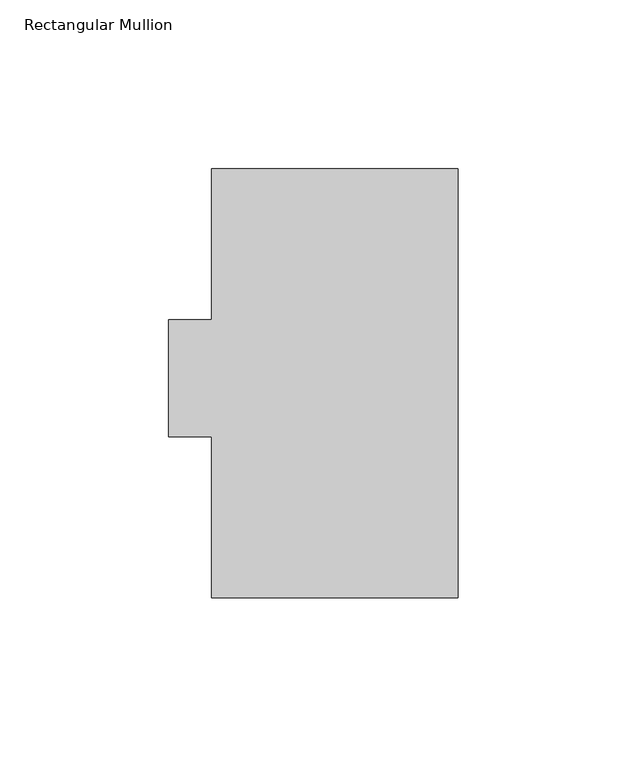
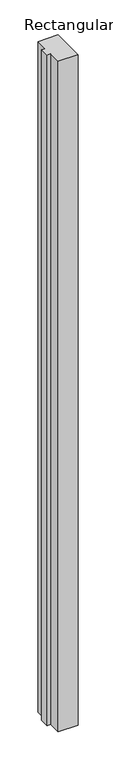
"""IFC4 building model written with IfcOpenShell, lengths in millimetres: member geometry, Rectangular Mullion."""

from ifc_helpers import new_model, si_unit, frame, origin, place, context, project, spatial, polyline, outline, extrude, source, transform, mapped, element, save


def rectangular_mullion_680d0530(model_context):
    return source(origin(), model_context, "Body", "SweptSolid", [
        extrude(outline(polyline([(-73.025, 127.00635), (0.0, 127.00635), (0.0, 0.00635), (-73.025, 0.00635), (-73.025, 47.63135), (-85.725, 47.63135), (-85.725, 82.30235), (-73.025, 82.30235), (-73.025, 127.00635)])), frame((0.0, 0.0, -2590.8), z_axis=(0.0, 0.0, 1.0), x_axis=(1.0, 0.0, 0.0)), (0.0, 0.0, 1.0), 2590.8),
    ])


if __name__ == "__main__":
    model = new_model("IFC4")
    model_context = context("Model", 3, world=origin())
    ifc_project = project(units=[si_unit("LENGTHUNIT", "METRE", prefix="MILLI")], contexts=[model_context])
    site = spatial("IfcSite", under=ifc_project)
    building = spatial("IfcBuilding", under=site)
    placement = place(None, origin())
    rectangular_mullion_shape = rectangular_mullion_680d0530(model_context)
    element("IfcMember", 1, ObjectType="Rectangular Mullion", at=placement, inside=building, context=model_context, shape_type="MappedRepresentation", body=[
        mapped(rectangular_mullion_shape, transform((0.0, 0.0, 0.0), x_axis=(1.0, 0.0, 0.0), y_axis=(0.0, 1.0, 0.0), z_axis=(0.0, 0.0, 1.0))),
    ])
    save(model, "model.ifc")
